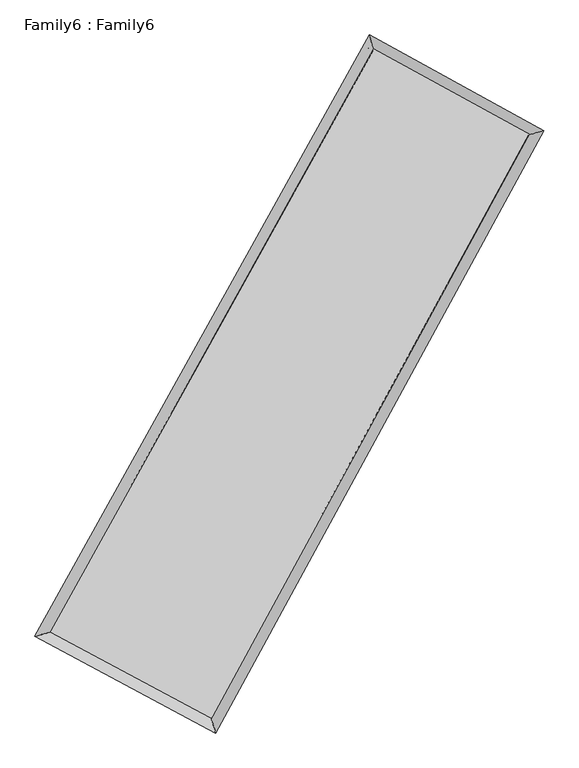
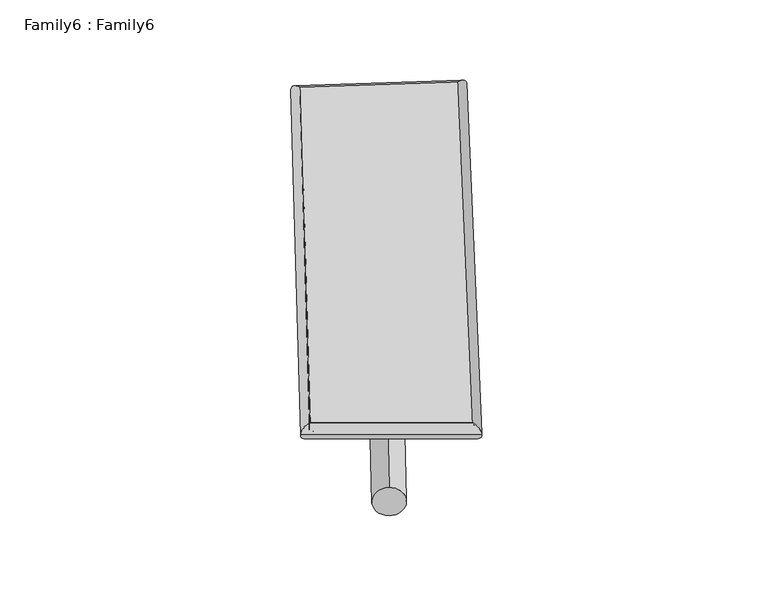
"""IFC4 building model written with IfcOpenShell, lengths in millimetres: plate geometry, Family6 : Family6."""

from ifc_helpers import new_model, si_unit, point, frame, origin, origin_2d, place, context, project, spatial, circle_curve, ellipse_curve, trimmed, segment, composite_curve, outline, extrude, source, transform, mapped, element, save
from ifc_brep_helpers import plane_surface, cylinder_surface, spline_surface, advanced_brep


def family6_family6_af2dd6df(model_context):
    return source(origin(), model_context, "Body", "SolidModel", [
        extrude(outline(composite_curve([segment(trimmed(circle_curve(origin_2d(), 76.2), [point((-75.4341514, -10.7763073))], [point((75.4341514, 10.7763073))], False, "CARTESIAN"), True, "CONTINUOUS"), segment(trimmed(circle_curve(origin_2d(), 76.2), [point((75.4341514, 10.7763073))], [point((-75.4341514, -10.7763073))], False, "CARTESIAN"), True, "CONTINUOUS")], self_intersect=False)), frame((9144.0, 9144.0, 0.0), z_axis=(0.6659590073806013, 0.6923533129174056, 0.27775077062168024), x_axis=(-0.6844870212457979, 0.7151600245130407, -0.1415049719429034)), (0.0, 0.0, 1.0), 5604.2377427),
        extrude(outline(composite_curve([segment(trimmed(circle_curve(origin_2d(), 76.2), [point((-53.8815367, 53.8815368))], [point((53.8815367, -53.8815368))], False, "CARTESIAN"), True, "CONTINUOUS"), segment(trimmed(circle_curve(origin_2d(), 76.2), [point((53.8815367, -53.8815368))], [point((-53.8815367, 53.8815368))], False, "CARTESIAN"), True, "CONTINUOUS")], self_intersect=False)), frame((9144.0, 9144.0, 0.0), z_axis=(-0.6715003878550906, -0.6875275459567056, 0.2763930220921161), x_axis=(0.6437433569215334, -0.35653119438224895, 0.6771115106478123)), (0.0, 0.0, 1.0), 5629.6300845),
        extrude(outline(composite_curve([segment(trimmed(circle_curve(origin_2d(), 76.2), [point((-53.8815367, -53.8815368))], [point((53.8815367, 53.8815368))], False, "CARTESIAN"), True, "CONTINUOUS"), segment(trimmed(circle_curve(origin_2d(), 76.2), [point((53.8815367, 53.8815368))], [point((-53.8815367, -53.8815368))], False, "CARTESIAN"), True, "CONTINUOUS")], self_intersect=False)), frame((9144.0, 9144.0, 0.0), z_axis=(0.22926359958809067, 0.9360701368786518, 0.266853706640725), x_axis=(-0.8468722852613341, 0.3269779421599393, -0.4193957055062641)), (0.0, 0.0, 1.0), 5579.2170252),
        extrude(outline(composite_curve([segment(trimmed(circle_curve(origin_2d(), 76.2), [point((-75.4341514, 10.7763074))], [point((75.4341514, -10.7763074))], False, "CARTESIAN"), True, "CONTINUOUS"), segment(trimmed(circle_curve(origin_2d(), 76.2), [point((75.4341514, -10.7763074))], [point((-75.4341514, 10.7763074))], False, "CARTESIAN"), True, "CONTINUOUS")], self_intersect=False)), frame((9144.0, 9144.0, 0.0), z_axis=(-0.22150422440164194, -0.937868207530673, 0.26709381100173285), x_axis=(0.8939431176217705, -0.08585749908680025, 0.43987974755293024)), (0.0, 0.0, 1.0), 5577.356302),
        advanced_brep(
        [(5155.3687076, 5212.2776123, 1551.3459798), (5155.2441074, 5212.1125913, 1561.7989987), (5572.033722, 5334.6708745, 1560.6349648), (10482.6276381, 14160.2739199, 1495.454538), (10363.595118, 14572.8029691, 1482.2149487), (5572.1583222, 5334.8358954, 1550.1819459), (12669.5610741, 12963.4949448, 1555.8509576), (13082.8241344, 13084.7301903, 1557.3117459), (7847.1323452, 4118.8128751, 1490.9021409), (7970.051691, 3707.5368094, 1488.4525592)],
        [
            (0, 1, ellipse_curve(frame((5363.7012148, 5273.4742434, 1555.9904723), z_axis=(-0.2820594673591678, 0.9593245679693816, 0.011782621245797844), x_axis=(-0.9591182969495737, -0.2822522501616876, 0.020633946186158318)), 217.3825418, 152.4)),
            (1, 2, ellipse_curve(frame((5363.7012148, 5273.4742434, 1555.9904723), z_axis=(-0.2820594673591678, 0.9593245679693816, 0.011782621245797844), x_axis=(-0.9591182969495737, -0.2822522501616876, 0.020633946186158318)), 217.3825418, 152.4)),
            (2, 3),
            (3, 4, ellipse_curve(frame((10423.1113781, 14366.5384445, 1488.8347433), z_axis=(-0.9606202545447915, -0.27758239882641206, -0.012519521559335035), x_axis=(0.2772766061201997, -0.9605436041524839, 0.021763920148264525)), 214.7901225, 152.4)),
            (4, 0),
            (2, 5, ellipse_curve(frame((5363.7012148, 5273.4742434, 1555.9904723), z_axis=(-0.2820594673591678, 0.9593245679693816, 0.011782621245797844), x_axis=(-0.9591182969495737, -0.2822522501616876, 0.020633946186158318)), 217.3825418, 152.4)),
            (5, 0, ellipse_curve(frame((5363.7012148, 5273.4742434, 1555.9904723), z_axis=(-0.2820594673591678, 0.9593245679693816, 0.011782621245797844), x_axis=(-0.9591182969495737, -0.2822522501616876, 0.020633946186158318)), 217.3825418, 152.4)),
            (4, 3, ellipse_curve(frame((10423.1113781, 14366.5384445, 1488.8347433), z_axis=(-0.9606202545447915, -0.27758239882641206, -0.012519521559335035), x_axis=(0.2772766061201997, -0.9605436041524839, 0.021763920148264525)), 214.7901225, 152.4)),
            (3, 6),
            (6, 7, ellipse_curve(frame((12876.1926043, 13024.1125676, 1556.5813518), z_axis=(-0.281434899763049, 0.9594981433723553, -0.01255826661469886), x_axis=(-0.9592711272019236, -0.28165232490262393, -0.02169959432104399)), 215.3766979, 152.4)),
            (7, 4),
            (7, 6, ellipse_curve(frame((12876.1926043, 13024.1125676, 1556.5813518), z_axis=(-0.281434899763049, 0.9594981433723553, -0.01255826661469886), x_axis=(-0.9592711272019236, -0.28165232490262393, -0.02169959432104399)), 215.3766979, 152.4)),
            (6, 8),
            (8, 9, ellipse_curve(frame((7908.5920181, 3913.1748423, 1489.67735), z_axis=(0.958039020960707, 0.28640140021026206, -0.011639255743014604), x_axis=(-0.28612532885996755, 0.9579644729032774, 0.02088934752263717)), 214.6537727, 152.4)),
            (9, 7),
            (9, 8, ellipse_curve(frame((7908.5920181, 3913.1748423, 1489.67735), z_axis=(0.958039020960707, 0.28640140021026206, -0.011639255743014604), x_axis=(-0.28612532885996755, 0.9579644729032774, 0.02088934752263717)), 214.6537727, 152.4)),
            (8, 5),
            (1, 9),
        ],
        [
            cylinder_surface(frame((5363.7012148, 5273.4742434, 1555.9904723), z_axis=(-0.48619872763768146, -0.8738244384649331, 0.006453525001445954), x_axis=(-0.8733595379868286, 0.48566658877370666, -0.03702812385666595)), 152.4),
            cylinder_surface(frame((10423.1113781, 14366.5384445, 1488.8347433), z_axis=(-0.8769787323108873, 0.4799184516107121, -0.024219473114951942), x_axis=(0.4803809905107614, 0.8768456644917842, -0.01938516489126039)), 152.4),
            cylinder_surface(frame((12876.1926043, 13024.1125676, 1556.5813518), z_axis=(0.4786935033867439, 0.8779584073257576, 0.0064470785123744), x_axis=(0.8779805403086728, -0.4786935033867438, -0.0016433668539510549)), 152.4),
            cylinder_surface(frame((7908.5920181, 3913.1748423, 1489.67735), z_axis=(0.8816846066873966, -0.47127956959958184, -0.022974368511975783), x_axis=(-0.4710538548417495, -0.8819811892217566, 0.014746107883240028)), 152.4),
        ],
        [
            (0, [[1, 2, 3, 4, 5]]),
            (0, [[6, 7, -5, 8, -3]]),
            (1, [[-4, 9, 10, 11]]),
            (1, [[-8, -11, 12, -9]]),
            (2, [[-10, 13, 14, 15]]),
            (2, [[-12, -15, 16, -13]]),
            (3, [[-14, 17, -6, -2, 18]]),
            (3, [[-16, -18, -1, -7, -17]]),
        ],
    ),
        extrude(outline(composite_curve([segment(trimmed(circle_curve(origin_2d(), 304.8), [point((0.0, -304.8))], [point((0.0, 304.7999999))], False, "CARTESIAN"), True, "CONTINUOUS"), segment(trimmed(circle_curve(origin_2d(), 304.8), [point((0.0, 304.7999999))], [point((0.0, -304.8))], False, "CARTESIAN"), True, "CONTINUOUS")], self_intersect=False)), frame((6595.7652618, 4591.8596672, -0.0494583), z_axis=(0.488462713298531, 0.8725847681613272, 9.480506698587087e-06), x_axis=(-0.8725847682093251, 0.488462713298531, 2.4729849906788235e-06)), (0.0, 0.0, 1.0), 10433.6919436),
        advanced_brep(
        [(5363.7012148, 5273.4742434, 1555.9904723), (7908.5920181, 3913.1748423, 1489.67735), (7908.6092099, 3913.1689895, 1642.0773489), (5363.7184066, 5273.4683907, 1708.3904712), (12876.1926043, 13024.1125676, 1556.5813518), (12876.2097961, 13024.1067148, 1708.9813507), (10423.1113781, 14366.5384445, 1488.8347433), (10423.1285699, 14366.5325917, 1641.2347422)],
        [
            (0, 1),
            (1, 2),
            (2, 3),
            (3, 0),
            (1, 4),
            (4, 5),
            (5, 2),
            (4, 6),
            (6, 7),
            (7, 5),
            (6, 0),
            (3, 7),
        ],
        [
            plane_surface(frame((6636.1466165, 4593.3245428, 1522.8339112), z_axis=(-0.47140360320878444, -0.8819175939445479, 1.9308923614104467e-05), x_axis=(0.8816846066873965, -0.4712795695995818, -0.022974368511975783))),
            plane_surface(frame((10392.3923112, 8468.6437049, 1523.1293509), z_axis=(0.8779770103460727, -0.478702784110209, -0.00011742617601454052), x_axis=(0.47869350338674405, 0.8779584073257574, 0.006447078512374395))),
            plane_surface(frame((11649.6519912, 13695.325506, 1522.7080476), z_axis=(0.48005970437251316, 0.8772358176790045, -2.046519255355546e-05), x_axis=(-0.8769787323108872, 0.47991845161071234, -0.02421947311495195))),
            plane_surface(frame((7893.4062964, 9820.0063439, 1522.4126078), z_axis=(-0.8738422616362547, 0.4862095104287191, 0.00011724803176668035), x_axis=(-0.48619872763768157, -0.873824438464933, 0.00645352500144595))),
            spline_surface(1, 1, [[(7908.6092099, 3913.1689895, 1642.0773489), (5363.7184066, 5273.4683907, 1708.3904712)], [(12876.2097961, 13024.1067148, 1708.9813507), (10423.1285699, 14366.5325917, 1641.2347422)]], [2, 2], [2, 2], [0.0, 1.0], [0.0, 1.0]),
            spline_surface(1, 1, [[(10423.1113781, 14366.5384445, 1488.8347433), (5363.7012148, 5273.4742434, 1555.9904723)], [(12876.1926043, 13024.1125676, 1556.5813518), (7908.5920181, 3913.1748423, 1489.67735)]], [2, 2], [2, 2], [0.0, 1.0], [0.0, 1.0]),
        ],
        [
            (0, [[1, 2, 3, 4]]),
            (1, [[5, 6, 7, -2]]),
            (2, [[8, 9, 10, -6]]),
            (3, [[11, -4, 12, -9]]),
            (4, [[-3, -7, -10, -12]]),
            (5, [[-11, -8, -5, -1]]),
        ],
    ),
    ])


if __name__ == "__main__":
    model = new_model("IFC4")
    model_context = context("Model", 3, world=origin())
    ifc_project = project(units=[si_unit("LENGTHUNIT", "METRE", prefix="MILLI")], contexts=[model_context])
    site = spatial("IfcSite", under=ifc_project)
    building = spatial("IfcBuilding", under=site)
    placement = place(None, origin())
    family6_family6_shape = family6_family6_af2dd6df(model_context)
    element("IfcPlate", 1, ObjectType="Family6 : Family6", at=placement, inside=building, context=model_context, shape_type="MappedRepresentation", body=[
        mapped(family6_family6_shape, transform((0.0, 0.0, 0.0), x_axis=(1.0, 0.0, 0.0), y_axis=(0.0, 1.0, 0.0), z_axis=(0.0, 0.0, 1.0))),
    ])
    save(model, "model.ifc")
